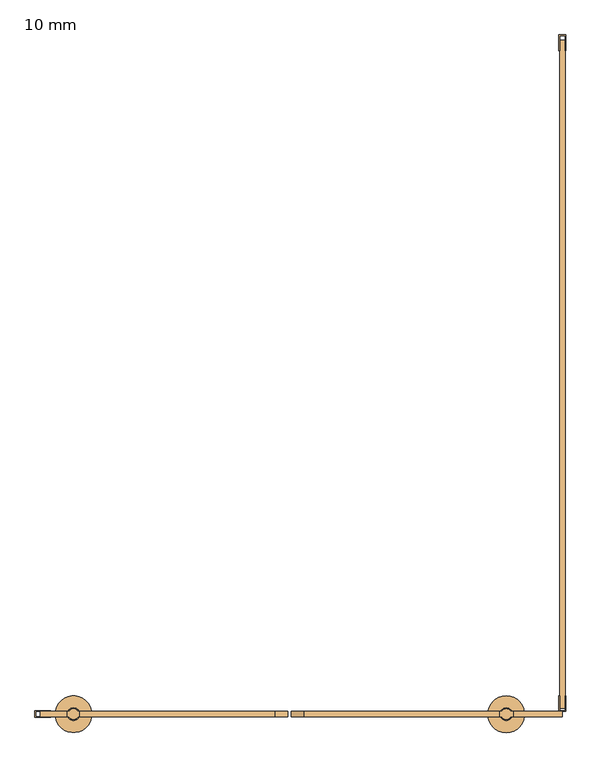
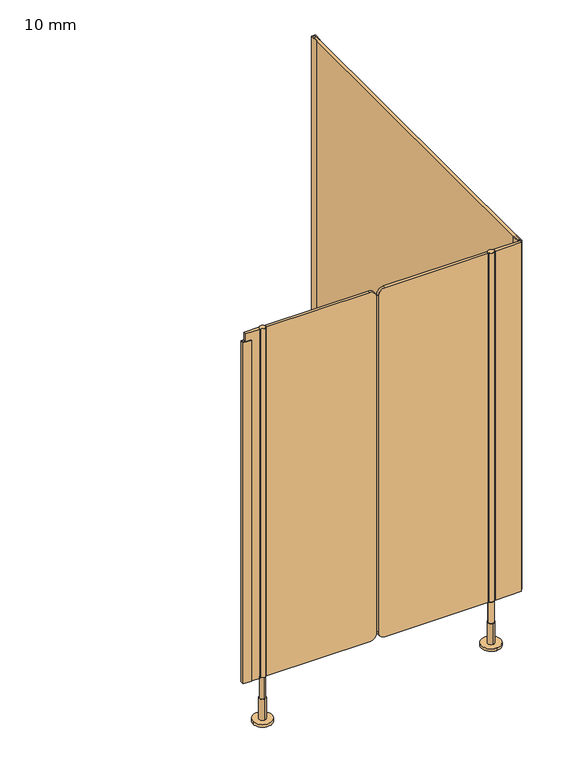
"""IFC4 building model written with IfcOpenShell, lengths in millimetres: door geometry, 10 mm."""

from ifc_helpers import new_model, si_unit, point, frame, frame_2d, origin, place, context, project, spatial, polyline, circle_curve, trimmed, segment, composite_curve, outline, extrude, source, transform, mapped, element, save
from ifc_brep_helpers import plane_surface, cylinder_surface, advanced_brep


def door_10_mm_b0282ec5(model_context):
    return source(origin(), model_context, "Body", "SolidModel", [
        advanced_brep(
        [(399.5, -1295.0, 170.0), (379.5, -1295.0, 170.0), (379.5, -1295.0, 90.0), (399.5, -1295.0, 90.0), (389.5, -1283.0, 90.0), (389.5, -1307.0, 90.0), (389.5, -1283.0, 10.0), (389.5, -1307.0, 10.0), (389.5, -1260.0, 10.0), (389.5, -1330.0, 10.0), (389.5, -1260.0, 0.0), (389.5, -1330.0, 0.0)],
        [
            (0, 1, circle_curve(frame((389.5, -1295.0, 170.0), z_axis=(0.0, 0.0, 1.0), x_axis=(-1.0, 0.0, 0.0)), 10.0)),
            (1, 0, circle_curve(frame((389.5, -1295.0, 170.0), z_axis=(0.0, 0.0, 1.0), x_axis=(-1.0, 0.0, 0.0)), 10.0)),
            (1, 2),
            (2, 3, circle_curve(frame((389.5, -1295.0, 90.0), z_axis=(0.0, 0.0, 1.0), x_axis=(-1.0, 0.0, 0.0)), 10.0)),
            (3, 0),
            (3, 2, circle_curve(frame((389.5, -1295.0, 90.0), z_axis=(0.0, 0.0, 1.0), x_axis=(-1.0, 0.0, 0.0)), 10.0)),
            (4, 5, circle_curve(frame((389.5, -1295.0, 90.0), z_axis=(0.0, 0.0, 1.0), x_axis=(0.0, -1.0, 0.0)), 12.0)),
            (5, 4, circle_curve(frame((389.5, -1295.0, 90.0), z_axis=(0.0, 0.0, 1.0), x_axis=(0.0, -1.0, 0.0)), 12.0)),
            (4, 6),
            (6, 7, circle_curve(frame((389.5, -1295.0, 10.0), z_axis=(0.0, 0.0, 1.0), x_axis=(0.0, -1.0, 0.0)), 12.0)),
            (7, 5),
            (7, 6, circle_curve(frame((389.5, -1295.0, 10.0), z_axis=(0.0, 0.0, 1.0), x_axis=(0.0, -1.0, 0.0)), 12.0)),
            (8, 9, circle_curve(frame((389.5, -1295.0, 10.0), z_axis=(0.0, 0.0, 1.0), x_axis=(0.0, -1.0, 0.0)), 35.0)),
            (9, 8, circle_curve(frame((389.5, -1295.0, 10.0), z_axis=(0.0, 0.0, 1.0), x_axis=(0.0, -1.0, 0.0)), 35.0)),
            (10, 11, circle_curve(frame((389.5, -1295.0, 0.0), z_axis=(0.0, 0.0, -1.0), x_axis=(0.0, -1.0, 0.0)), 35.0)),
            (11, 10, circle_curve(frame((389.5, -1295.0, 0.0), z_axis=(0.0, 0.0, -1.0), x_axis=(0.0, -1.0, 0.0)), 35.0)),
            (8, 10),
            (11, 9),
        ],
        [
            plane_surface(frame((389.5, -1290.0, 170.0), z_axis=(0.0, 0.0, 1.0), x_axis=(0.0, -1.0, 0.0))),
            cylinder_surface(frame((389.5, -1295.0, 90.0), z_axis=(0.0, 0.0, -1.0), x_axis=(-1.0, 0.0, 0.0)), 10.0),
            plane_surface(frame((389.5, -1290.0, 90.0), z_axis=(0.0, 0.0, 1.0), x_axis=(0.0, -1.0, 0.0))),
            cylinder_surface(frame((389.5, -1295.0, 90.0), z_axis=(0.0, 0.0, 1.0), x_axis=(0.0, -1.0, 0.0)), 12.0),
            plane_surface(frame((389.5, -1290.0, 10.0), z_axis=(0.0, 0.0, 1.0), x_axis=(0.0, -1.0, 0.0))),
            plane_surface(frame((389.5, -1290.0, 0.0), z_axis=(0.0, 0.0, -1.0), x_axis=(0.0, -1.0, 0.0))),
            cylinder_surface(frame((389.5, -1295.0, 10.0), z_axis=(0.0, 0.0, 1.0), x_axis=(0.0, -1.0, 0.0)), 35.0),
        ],
        [
            (0, [[1, 2]]),
            (1, [[-2, 3, 4, 5]]),
            (1, [[-1, -5, 6, -3]]),
            (2, [[7, 8], [-4, -6]]),
            (3, [[-7, 9, 10, 11]]),
            (3, [[-8, -11, 12, -9]]),
            (4, [[13, 14], [-10, -12]]),
            (5, [[15, 16]]),
            (6, [[-13, 17, -16, 18]]),
            (6, [[-14, -18, -15, -17]]),
        ],
    ),
        advanced_brep(
        [(-435.0, -1305.0, 170.0), (-435.0, -1285.0, 170.0), (-435.0, -1285.0, 90.0), (-435.0, -1305.0, 90.0), (-435.0, -1283.0, 90.0), (-435.0, -1307.0, 90.0), (-435.0, -1283.0, 10.0), (-435.0, -1307.0, 10.0), (-400.0, -1295.0, 0.0), (-470.0, -1295.0, 0.0), (-400.0, -1295.0, 10.0), (-470.0, -1295.0, 10.0)],
        [
            (0, 1, circle_curve(frame((-435.0, -1295.0, 170.0), z_axis=(0.0, 0.0, -1.0), x_axis=(0.0, -1.0, 0.0)), 10.0)),
            (1, 2),
            (2, 3, circle_curve(frame((-435.0, -1295.0, 90.0), z_axis=(0.0, 0.0, 1.0), x_axis=(0.0, -1.0, 0.0)), 10.0)),
            (3, 0),
            (1, 0, circle_curve(frame((-435.0, -1295.0, 170.0), z_axis=(0.0, 0.0, -1.0), x_axis=(0.0, -1.0, 0.0)), 10.0)),
            (3, 2, circle_curve(frame((-435.0, -1295.0, 90.0), z_axis=(0.0, 0.0, 1.0), x_axis=(0.0, -1.0, 0.0)), 10.0)),
            (4, 5, circle_curve(frame((-435.0, -1295.0, 90.0), z_axis=(0.0, 0.0, 1.0), x_axis=(0.0, -1.0, 0.0)), 12.0)),
            (5, 4, circle_curve(frame((-435.0, -1295.0, 90.0), z_axis=(0.0, 0.0, 1.0), x_axis=(0.0, -1.0, 0.0)), 12.0)),
            (4, 6),
            (6, 7, circle_curve(frame((-435.0, -1295.0, 10.0), z_axis=(0.0, 0.0, 1.0), x_axis=(0.0, -1.0, 0.0)), 12.0)),
            (7, 5),
            (7, 6, circle_curve(frame((-435.0, -1295.0, 10.0), z_axis=(0.0, 0.0, 1.0), x_axis=(0.0, -1.0, 0.0)), 12.0)),
            (8, 9, circle_curve(frame((-435.0, -1295.0, 0.0), z_axis=(0.0, 0.0, -1.0), x_axis=(-1.0, 0.0, 0.0)), 35.0)),
            (9, 8, circle_curve(frame((-435.0, -1295.0, 0.0), z_axis=(0.0, 0.0, -1.0), x_axis=(-1.0, 0.0, 0.0)), 35.0)),
            (10, 11, circle_curve(frame((-435.0, -1295.0, 10.0), z_axis=(0.0, 0.0, 1.0), x_axis=(-1.0, 0.0, 0.0)), 35.0)),
            (11, 10, circle_curve(frame((-435.0, -1295.0, 10.0), z_axis=(0.0, 0.0, 1.0), x_axis=(-1.0, 0.0, 0.0)), 35.0)),
            (8, 10),
            (11, 9),
        ],
        [
            cylinder_surface(frame((-435.0, -1295.0, 170.0), z_axis=(0.0, 0.0, 1.0), x_axis=(0.0, -1.0, 0.0)), 10.0),
            plane_surface(frame((-435.0, -1290.0, 90.0), z_axis=(0.0, 0.0, 1.0), x_axis=(0.0, -1.0, 0.0))),
            cylinder_surface(frame((-435.0, -1295.0, 90.0), z_axis=(0.0, 0.0, 1.0), x_axis=(0.0, -1.0, 0.0)), 12.0),
            plane_surface(frame((-435.0, -1290.0, 0.0), z_axis=(0.0, 0.0, -1.0), x_axis=(0.0, -1.0, 0.0))),
            plane_surface(frame((-435.0, -1290.0, 10.0), z_axis=(0.0, 0.0, 1.0), x_axis=(0.0, -1.0, 0.0))),
            cylinder_surface(frame((-435.0, -1295.0, 0.0), z_axis=(0.0, 0.0, -1.0), x_axis=(-1.0, 0.0, 0.0)), 35.0),
            plane_surface(frame((-435.0, -1290.0, 170.0), z_axis=(0.0, 0.0, 1.0), x_axis=(0.0, -1.0, 0.0))),
        ],
        [
            (0, [[1, 2, 3, 4]]),
            (0, [[5, -4, 6, -2]]),
            (1, [[7, 8], [-3, -6]]),
            (2, [[-7, 9, 10, 11]]),
            (2, [[-8, -11, 12, -9]]),
            (3, [[13, 14]]),
            (4, [[15, 16], [-10, -12]]),
            (5, [[-13, 17, -16, 18]]),
            (5, [[-14, -18, -15, -17]]),
            (6, [[-1, -5]]),
        ],
    ),
        extrude(outline(composite_curve([segment(polyline([(170.0, 376.5), (1500.0, 376.5), (1500.0, 4.5002203)]), True, "CONTINUOUS"), segment(trimmed(circle_curve(frame_2d((1475.0, 4.5002203)), 25.0), [point((1500.0, 4.5002203))], [point((1475.0, -20.4997797))], False, "CARTESIAN"), True, "CONTINUOUS"), segment(polyline([(1475.0, -20.4997797), (195.0, -20.4997797)]), True, "CONTINUOUS"), segment(trimmed(circle_curve(frame_2d((195.0, 4.5002203)), 25.0), [point((195.0, -20.4997797))], [point((170.0, 4.5002203))], False, "CARTESIAN"), True, "CONTINUOUS"), segment(polyline([(170.0, 4.5002203), (170.0, 376.5)]), True, "CONTINUOUS")], self_intersect=False)), frame((0.0, -1300.0, 0.0), z_axis=(0.0, 1.0, 0.0), x_axis=(0.0, 0.0, 1.0)), (0.0, 0.0, 1.0), 10.0),
        extrude(outline(composite_curve([segment(polyline([(1500.0, -423.5), (170.0, -423.5), (170.0, -51.5002203)]), True, "CONTINUOUS"), segment(trimmed(circle_curve(frame_2d((195.0, -51.5002203)), 25.0), [point((170.0, -51.5002203))], [point((195.0, -26.5002203))], False, "CARTESIAN"), True, "CONTINUOUS"), segment(polyline([(195.0, -26.5002203), (1475.0, -26.5002203)]), True, "CONTINUOUS"), segment(trimmed(circle_curve(frame_2d((1475.0, -51.5002203)), 25.0), [point((1475.0, -26.5002203))], [point((1500.0, -51.5002203))], False, "CARTESIAN"), True, "CONTINUOUS"), segment(polyline([(1500.0, -51.5002203), (1500.0, -423.5)]), True, "CONTINUOUS")], self_intersect=False)), frame((0.0, -1300.0, 0.0), z_axis=(0.0, 1.0, 0.0), x_axis=(0.0, 0.0, 1.0)), (0.0, 0.0, 1.0), 10.0),
        advanced_brep(
        [(-443.660254, -1290.0, 170.0), (-426.339746, -1290.0, 170.0), (-423.5, -1290.0010631, 170.0), (-423.5, -1299.9989369, 170.0), (-426.3391323, -1299.9989369, 170.0), (-443.6608677, -1299.9989369, 170.0), (-446.5, -1299.9989369, 170.0), (-446.5, -1290.0010631, 170.0), (-426.339746, -1290.0, 1500.0), (-443.660254, -1290.0, 1500.0), (-446.5, -1290.0010631, 1500.0), (-446.5, -1299.9989369, 1500.0), (-443.6608677, -1299.9989369, 1500.0), (-426.3391323, -1299.9989369, 1500.0), (-423.5, -1299.9989369, 1500.0), (-423.5, -1290.0010631, 1500.0)],
        [
            (0, 1, circle_curve(frame((-435.0, -1295.0, 170.0), z_axis=(0.0, 0.0, -1.0), x_axis=(-1.0, 0.0, 0.0)), 10.0)),
            (1, 2),
            (2, 3),
            (3, 4),
            (4, 5, circle_curve(frame((-435.0, -1295.0, 170.0), z_axis=(0.0, 0.0, -1.0), x_axis=(-1.0, 0.0, 0.0)), 10.0)),
            (5, 6),
            (6, 7),
            (7, 0),
            (8, 9, circle_curve(frame((-435.0, -1295.0, 1500.0), z_axis=(0.0, 0.0, 1.0), x_axis=(-1.0, 0.0, 0.0)), 10.0)),
            (9, 10),
            (10, 11),
            (11, 12),
            (12, 13, circle_curve(frame((-435.0, -1295.0, 1500.0), z_axis=(0.0, 0.0, 1.0), x_axis=(-1.0, 0.0, 0.0)), 10.0)),
            (13, 14),
            (14, 15),
            (15, 8),
            (0, 9),
            (8, 1),
            (4, 13),
            (12, 5),
            (7, 10),
            (15, 2),
            (14, 3),
            (11, 6),
        ],
        [
            plane_surface(frame((-428.7598646, -1290.0, 170.0), z_axis=(0.0, 0.0, -1.0), x_axis=(0.0, -1.0, 0.0))),
            plane_surface(frame((-428.7598646, -1290.0, 1500.0), z_axis=(0.0, 0.0, 1.0), x_axis=(0.0, -1.0, 0.0))),
            cylinder_surface(frame((-435.0, -1295.0, 170.0), z_axis=(0.0, 0.0, -1.0), x_axis=(-1.0, 0.0, 0.0)), 10.0),
            plane_surface(frame((-446.5, -1290.0010631, 170.0), z_axis=(0.0, 1.0, 0.0), x_axis=(0.0, 0.0, 1.0))),
            plane_surface(frame((-423.5, -1290.0010631, 170.0), z_axis=(1.0, 0.0, 0.0), x_axis=(0.0, 0.0, 1.0))),
            plane_surface(frame((-423.5, -1299.9989369, 170.0), z_axis=(0.0, -1.0, 0.0), x_axis=(0.0, 0.0, 1.0))),
            plane_surface(frame((-446.5, -1299.9989369, 170.0), z_axis=(-1.0, 0.0, 0.0), x_axis=(0.0, 0.0, 1.0))),
        ],
        [
            (0, [[1, 2, 3, 4, 5, 6, 7, 8]]),
            (1, [[9, 10, 11, 12, 13, 14, 15, 16]]),
            (2, [[-1, 17, -9, 18]]),
            (2, [[-5, 19, -13, 20]]),
            (3, [[21, -10, -17, -8]]),
            (3, [[22, -2, -18, -16]]),
            (4, [[-3, -22, -15, 23]]),
            (5, [[-23, -14, -19, -4]]),
            (5, [[24, -6, -20, -12]]),
            (6, [[-7, -24, -11, -21]]),
        ],
    ),
        extrude(outline(composite_curve([segment(trimmed(circle_curve(frame_2d((389.5, -1295.0)), 10.0), [point((398.1608677, -1299.9989369))], [point((380.8391323, -1299.9989369))], False, "CARTESIAN"), True, "CONTINUOUS"), segment(polyline([(380.8391323, -1299.9989369), (376.5, -1299.9989369), (376.5, -1290.0010631), (380.8391323, -1290.0010631)]), True, "CONTINUOUS"), segment(trimmed(circle_curve(frame_2d((389.5, -1295.0)), 10.0), [point((380.8391323, -1290.0010631))], [point((398.1608677, -1290.0010631))], False, "CARTESIAN"), True, "CONTINUOUS"), segment(polyline([(398.1608677, -1290.0010631), (402.5, -1290.0010631), (402.5, -1299.9989369), (398.1608677, -1299.9989369)]), True, "CONTINUOUS")], self_intersect=False)), frame((0.0, 0.0, 170.0), z_axis=(0.0, 0.0, 1.0), x_axis=(1.0, 0.0, 0.0)), (0.0, 0.0, 1.0), 1330.0),
        extrude(outline(polyline([(490.0, 0.0), (503.0, 0.0), (503.0, -30.0), (501.5, -30.0), (501.5, -1.5), (491.5, -1.5), (491.5, -30.0), (490.0, -30.0), (490.0, 0.0)])), frame((0.0, 0.0, 170.0), z_axis=(0.0, 0.0, 1.0), x_axis=(1.0, 0.0, 0.0)), (0.0, 0.0, 1.0), 1330.0),
        extrude(outline(polyline([(-508.5, -1288.5), (-478.5, -1288.5), (-478.5, -1290.0), (-507.0, -1290.0), (-507.0, -1300.0), (-478.5, -1300.0), (-478.5, -1301.5), (-508.5, -1301.5), (-508.5, -1288.5)])), frame((0.0, 0.0, 170.0), z_axis=(0.0, 0.0, 1.0), x_axis=(1.0, 0.0, 0.0)), (0.0, 0.0, 1.0), 1300.0),
        extrude(outline(polyline([(402.5, -1290.0), (496.5, -1290.0), (496.5, -1300.0), (402.5, -1300.0), (402.5, -1290.0)])), frame((0.0, 0.0, 170.0), z_axis=(0.0, 0.0, 1.0), x_axis=(1.0, 0.0, 0.0)), (0.0, 0.0, 1.0), 1330.0),
        extrude(outline(polyline([(-446.5, -1290.0), (-446.5, -1300.0), (-498.5, -1300.0), (-498.5, -1290.0), (-446.5, -1290.0)])), frame((0.0, 0.0, 170.0), z_axis=(0.0, 0.0, 1.0), x_axis=(1.0, 0.0, 0.0)), (0.0, 0.0, 1.0), 1330.0),
        extrude(outline(polyline([(503.0, -1290.0), (490.0, -1290.0), (490.0, -1260.0), (491.5, -1260.0), (491.5, -1288.5), (501.5, -1288.5), (501.5, -1260.0), (503.0, -1260.0), (503.0, -1290.0)])), frame((0.0, 0.0, 170.0), z_axis=(0.0, 0.0, 1.0), x_axis=(1.0, 0.0, 0.0)), (0.0, 0.0, 1.0), 1330.0),
        extrude(outline(polyline([(501.5, -10.0), (501.5, -1284.0), (491.5, -1284.0), (491.5, -10.0), (501.5, -10.0)])), frame((0.0, 0.0, 170.0), z_axis=(0.0, 0.0, 1.0), x_axis=(1.0, 0.0, 0.0)), (0.0, 0.0, 1.0), 1330.0),
    ])


if __name__ == "__main__":
    model = new_model("IFC4")
    model_context = context("Model", 3, world=origin())
    ifc_project = project(units=[si_unit("LENGTHUNIT", "METRE", prefix="MILLI")], contexts=[model_context])
    site = spatial("IfcSite", under=ifc_project)
    building = spatial("IfcBuilding", under=site)
    placement = place(None, origin())
    door_10_mm_shape = door_10_mm_b0282ec5(model_context)
    element("IfcDoor", 1, ObjectType="10 mm", at=placement, inside=building, context=model_context, shape_type="MappedRepresentation", body=[
        mapped(door_10_mm_shape, transform((0.0, 0.0, 0.0), x_axis=(1.0, 0.0, 0.0), y_axis=(0.0, 1.0, 0.0), z_axis=(0.0, 0.0, 1.0))),
    ])
    save(model, "model.ifc")
